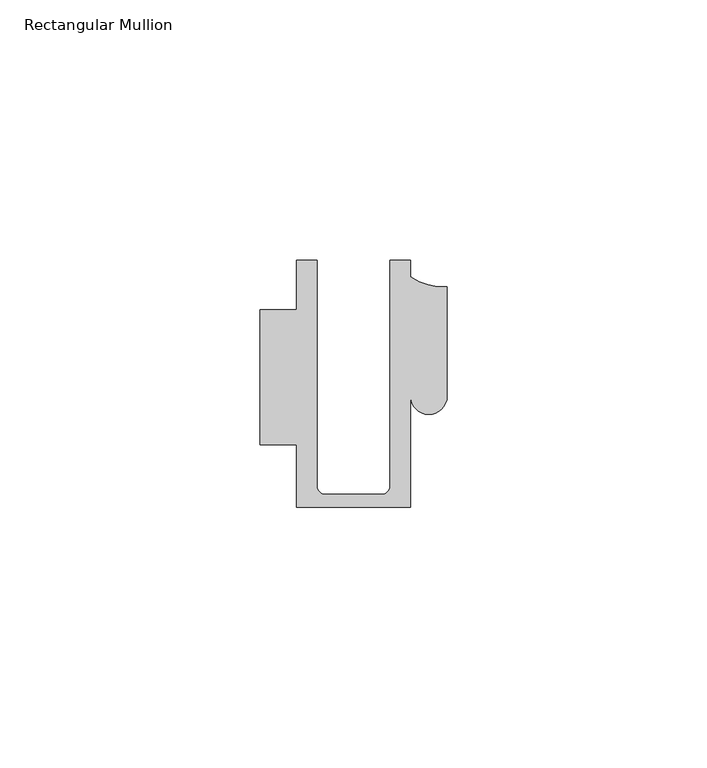
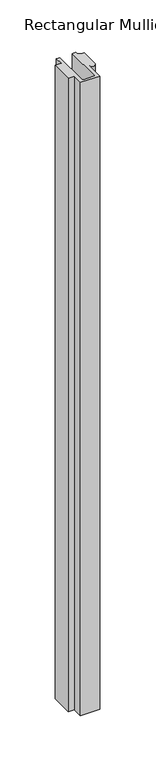
"""IFC4 building model written with IfcOpenShell, lengths in millimetres: member geometry, Rectangular Mullion."""

from ifc_helpers import new_model, si_unit, frame, origin, place, context, project, spatial, polyline, circle_curve, source, transform, mapped, element, save
from ifc_brep_helpers import plane_surface, cylinder_surface, revolved_surface, advanced_brep


def rectangular_mullion_57320f47(model_context):
    return source(origin(), model_context, "Body", "AdvancedBrep", [
        advanced_brep(
        [(-11.0000151, -27.0, 0.0), (11.001071, -27.0, 0.0), (11.001071, -5.5848769, 0.0), (17.9999091, -5.6750512, 0.0), (17.9999542, 15.3797475, 0.0), (11.0000151, 17.3125212, 0.0), (11.0000151, 20.5, 0.0), (6.9999849, 20.5, 0.0), (6.9999849, -22.9973451, 0.0), (5.4999872, -24.5, 0.0), (-5.4999873, -24.5, 0.0), (-6.9999853, -22.9976091, 0.0), (-6.9999853, 20.5, 0.0), (-10.9999994, 20.5, 0.0), (-10.9999994, 10.9797475, 0.0), (-17.9999542, 10.9797475, 0.0), (-17.9999542, -15.0006281, 0.0), (-11.0000151, -15.0006281, 0.0), (-11.0000151, -27.0, -768.0001218), (-11.0000151, -15.0006281, -768.0001218), (-17.9999542, -15.0006281, -768.0001218), (-17.9999542, 10.9797475, -768.0001218), (-10.9999994, 10.9797475, -768.0001218), (-10.9999994, 20.5, -768.0001218), (-6.9999853, 20.5, -768.0001218), (-6.9999853, -22.9976091, -768.0001218), (-5.4999873, -24.5, -768.0001218), (5.4999872, -24.5, -768.0001218), (6.9999849, -22.9973451, -768.0001218), (6.9999849, 20.5, -768.0001218), (11.0000151, 20.5, -768.0001218), (11.0000151, 17.3125212, -768.0001218), (17.9999542, 15.3797475, -768.0001218), (17.9999542, -5.684606, -768.0001218), (11.001071, -5.5848769, -768.0001218), (11.001071, -27.0, -768.0001218)],
        [
            (0, 1),
            (1, 2),
            (2, 3, circle_curve(frame((14.4999091, -5.6750512, 0.0), z_axis=(0.0, 0.0, 1.0), x_axis=(-0.9999826028573957, 0.005898642432633649, 0.0)), 3.5)),
            (3, 4),
            (4, 5, circle_curve(frame((17.109817, 25.7981812, 0.0), z_axis=(0.0, 0.0, -1.0), x_axis=(0.0, -1.0, 0.0)), 10.4563907)),
            (5, 6),
            (6, 7),
            (7, 8),
            (8, 9, circle_curve(frame((5.4999872, -23.0, 0.0), z_axis=(0.0, 0.0, -1.0), x_axis=(0.9999999999999986, 5.463622857820516e-08, 0.0)), 1.5)),
            (9, 10),
            (10, 11, circle_curve(frame((-5.4999873, -23.0, 0.0), z_axis=(0.0, 0.0, -1.0), x_axis=(2.7320010112268853e-08, -0.9999999999999997, 0.0)), 1.5)),
            (11, 12),
            (12, 13),
            (13, 14),
            (14, 15),
            (15, 16),
            (16, 17),
            (17, 0),
            (18, 19),
            (19, 20),
            (20, 21),
            (21, 22),
            (22, 23),
            (23, 24),
            (24, 25),
            (25, 26, circle_curve(frame((-5.4999873, -23.0, -768.0001218), z_axis=(0.0, 0.0, 1.0), x_axis=(2.7320010112268853e-08, -0.9999999999999997, 0.0)), 1.5)),
            (26, 27),
            (27, 28, circle_curve(frame((5.4999872, -23.0, -768.0001218), z_axis=(0.0, 0.0, 1.0), x_axis=(0.9999999999999986, 5.463622857820516e-08, 0.0)), 1.5)),
            (28, 29),
            (29, 30),
            (30, 31),
            (31, 32, circle_curve(frame((17.109817, 25.7981812, -768.0001218), z_axis=(0.0, 0.0, 1.0), x_axis=(0.0, -1.0, 0.0)), 10.4563907)),
            (32, 33),
            (33, 34, circle_curve(frame((14.4999091, -5.6750512, -768.0001218), z_axis=(0.0, 0.0, -1.0), x_axis=(-0.9999826028573957, 0.005898642432633649, 0.0)), 3.5)),
            (34, 35),
            (35, 18),
            (0, 18),
            (35, 1),
            (34, 2),
            (33, 3),
            (32, 4),
            (31, 5),
            (30, 6),
            (29, 7),
            (28, 8),
            (27, 9),
            (26, 10),
            (25, 11),
            (24, 12),
            (23, 13),
            (22, 14),
            (15, 21),
            (20, 16),
            (19, 17),
        ],
        [
            plane_surface(frame((0.0, -29.1551636, 0.0), z_axis=(0.0, 0.0, 1.0), x_axis=(-1.0, 0.0, 0.0))),
            plane_surface(frame((0.0, -29.1551636, -768.0001218), z_axis=(0.0, 0.0, -1.0), x_axis=(-1.0, 0.0, 0.0))),
            plane_surface(frame((-11.0000151, -27.0, 0.0), z_axis=(0.0, -1.0, 0.0), x_axis=(0.0, 0.0, -1.0))),
            plane_surface(frame((11.001071, -27.0, 0.0), z_axis=(1.0, 0.0, 0.0), x_axis=(0.0, 0.0, -1.0))),
            cylinder_surface(frame((14.4999091, -5.6750512, 0.0), z_axis=(0.0, 0.0, 1.0), x_axis=(-0.9999826028573957, 0.005898642432633649, 0.0)), 3.5),
            plane_surface(frame((17.9999542, -5.684606, 0.0), z_axis=(1.0, 0.0, 0.0), x_axis=(0.0, 0.0, -1.0))),
            revolved_surface(polyline([(17.109817, 15.341790499999998, -768.0001218), (17.109817, 15.341790499999998, 0.0)]), (17.109817, 25.7981812, 0.0), (0.0, 0.0, -1.0)),
            plane_surface(frame((11.0000151, 17.3125212, 0.0), z_axis=(1.0, 0.0, 0.0), x_axis=(0.0, 0.0, -1.0))),
            plane_surface(frame((11.0000151, 20.5, 0.0), z_axis=(0.0, 1.0, 0.0), x_axis=(0.0, 0.0, -1.0))),
            plane_surface(frame((6.9999849, 20.5, 0.0), z_axis=(-1.0, 0.0, 0.0), x_axis=(0.0, 0.0, -1.0))),
            revolved_surface(polyline([(6.999987199999998, -22.999999918045656, -768.0001218), (6.999987199999998, -22.999999918045656, 0.0)]), (5.4999872, -23.0, 0.0), (0.0, 0.0, -1.0)),
            plane_surface(frame((5.4999872, -24.5, 0.0), z_axis=(0.0, 1.0, 0.0), x_axis=(0.0, 0.0, -1.0))),
            revolved_surface(polyline([(-5.499987259019985, -24.5, -768.0001218), (-5.499987259019985, -24.5, 0.0)]), (-5.4999873, -23.0, 0.0), (0.0, 0.0, -1.0)),
            plane_surface(frame((-6.9999853, -22.9976091, 0.0), z_axis=(1.0, 0.0, 0.0), x_axis=(0.0, 0.0, -1.0))),
            plane_surface(frame((-6.9999853, 20.5, 0.0), z_axis=(0.0, 1.0, 0.0), x_axis=(0.0, 0.0, -1.0))),
            plane_surface(frame((-10.9999994, 20.5, 0.0), z_axis=(-1.0, 0.0, 0.0), x_axis=(0.0, 0.0, -1.0))),
            plane_surface(frame((-17.9999542, 10.9797475, 0.0), z_axis=(-1.0, 0.0, 0.0), x_axis=(0.0, 0.0, -1.0))),
            plane_surface(frame((-17.9999542, -15.0006281, 0.0), z_axis=(0.0, -1.0, 0.0), x_axis=(0.0, 0.0, -1.0))),
            plane_surface(frame((-11.0000151, -15.0006281, 0.0), z_axis=(-1.0, 0.0, 0.0), x_axis=(0.0, 0.0, -1.0))),
            plane_surface(frame((-10.9999994, 10.9797475, 0.0), z_axis=(0.0, 1.0, 0.0), x_axis=(0.0, 0.0, -1.0))),
        ],
        [
            (0, [[1, 2, 3, 4, 5, 6, 7, 8, 9, 10, 11, 12, 13, 14, 15, 16, 17, 18]]),
            (1, [[19, 20, 21, 22, 23, 24, 25, 26, 27, 28, 29, 30, 31, 32, 33, 34, 35, 36]]),
            (2, [[-1, 37, -36, 38]]),
            (3, [[-2, -38, -35, 39]]),
            (4, [[-3, -39, -34, 40]]),
            (5, [[-4, -40, -33, 41]]),
            (6, [[-5, -41, -32, 42]]),
            (7, [[-6, -42, -31, 43]]),
            (8, [[-7, -43, -30, 44]]),
            (9, [[-8, -44, -29, 45]]),
            (10, [[-9, -45, -28, 46]]),
            (11, [[-10, -46, -27, 47]]),
            (12, [[-11, -47, -26, 48]]),
            (13, [[-12, -48, -25, 49]]),
            (14, [[-13, -49, -24, 50]]),
            (15, [[-14, -50, -23, 51]]),
            (16, [[-16, 52, -21, 53]]),
            (17, [[-17, -53, -20, 54]]),
            (18, [[-18, -54, -19, -37]]),
            (19, [[-15, -51, -22, -52]]),
        ],
    ),
    ])


if __name__ == "__main__":
    model = new_model("IFC4")
    model_context = context("Model", 3, world=origin())
    ifc_project = project(units=[si_unit("LENGTHUNIT", "METRE", prefix="MILLI")], contexts=[model_context])
    site = spatial("IfcSite", under=ifc_project)
    building = spatial("IfcBuilding", under=site)
    placement = place(None, origin())
    rectangular_mullion_shape = rectangular_mullion_57320f47(model_context)
    element("IfcMember", 1, ObjectType="Rectangular Mullion", at=placement, inside=building, context=model_context, shape_type="MappedRepresentation", body=[
        mapped(rectangular_mullion_shape, transform((0.0, 0.0, 0.0), x_axis=(1.0, 0.0, 0.0), y_axis=(0.0, 1.0, 0.0), z_axis=(0.0, 0.0, 1.0))),
    ])
    save(model, "model.ifc")
